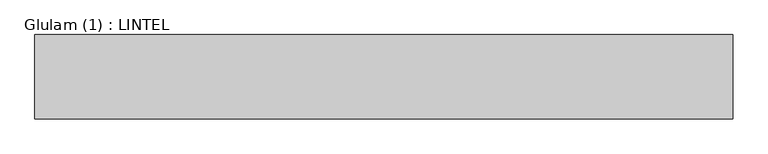
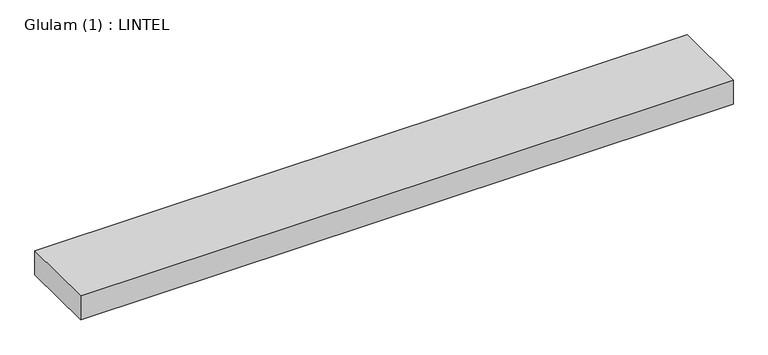
"""IFC4 building model written with IfcOpenShell, lengths in millimetres: beam geometry, Glulam (1) : LINTEL."""

from ifc_helpers import new_model, si_unit, frame, origin, place, context, project, spatial, polyline, outline, extrude, source, transform, mapped, element, save


def glulam_1_lintel_acc2f71d(model_context):
    return source(origin(), model_context, "Body", "SweptSolid", [
        extrude(outline(polyline([(579.0, 70.0), (579.0, -70.0), (-577.0, -70.0), (-577.0, 70.0), (579.0, 70.0)])), frame((0.0, 0.0, -22.5), z_axis=(0.0, 0.0, 1.0), x_axis=(1.0, 0.0, 0.0)), (0.0, 0.0, 1.0), 45.0),
    ])


if __name__ == "__main__":
    model = new_model("IFC4")
    model_context = context("Model", 3, world=origin())
    ifc_project = project(units=[si_unit("LENGTHUNIT", "METRE", prefix="MILLI")], contexts=[model_context])
    site = spatial("IfcSite", under=ifc_project)
    building = spatial("IfcBuilding", under=site)
    placement = place(None, origin())
    glulam_1_lintel_shape = glulam_1_lintel_acc2f71d(model_context)
    element("IfcBeam", 1, ObjectType="Glulam (1) : LINTEL", at=placement, inside=building, context=model_context, shape_type="MappedRepresentation", body=[
        mapped(glulam_1_lintel_shape, transform((0.0, 0.0, 0.0), x_axis=(1.0, 0.0, 0.0), y_axis=(0.0, 1.0, 0.0), z_axis=(0.0, 0.0, 1.0))),
    ])
    save(model, "model.ifc")
